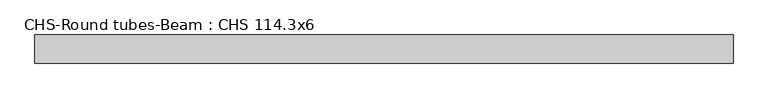
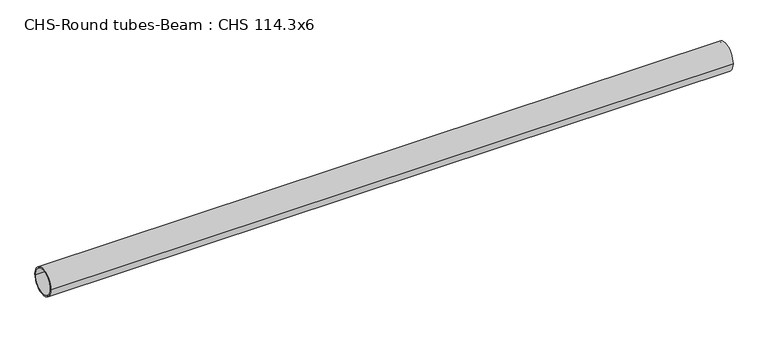
"""IFC4 building model written with IfcOpenShell, lengths in millimetres: beam geometry, CHS-Round tubes-Beam : CHS 114.3x6."""

from ifc_helpers import new_model, si_unit, point, frame, origin, origin_2d, place, context, project, spatial, circle_curve, trimmed, segment, composite_curve, outline, extrude, source, transform, mapped, element, save


def chs_round_tubes_beam_chs_114_3x6_1a060ed7(model_context):
    return source(origin(), model_context, "Body", "SweptSolid", [
        extrude(outline(composite_curve([segment(trimmed(circle_curve(origin_2d(), 57.15), [point((57.15, 0.0))], [point((-57.15, 0.0))], False, "CARTESIAN"), True, "CONTINUOUS"), segment(trimmed(circle_curve(origin_2d(), 57.15), [point((-57.15, 0.0))], [point((57.15, 0.0))], False, "CARTESIAN"), True, "CONTINUOUS")], self_intersect=False), holes=[composite_curve([segment(trimmed(circle_curve(origin_2d(), 51.15), [point((51.15, 0.0))], [point((-51.15, 0.0))], True, "CARTESIAN"), True, "CONTINUOUS"), segment(trimmed(circle_curve(origin_2d(), 51.15), [point((-51.15, 0.0))], [point((51.15, 0.0))], True, "CARTESIAN"), True, "CONTINUOUS")], self_intersect=False)]), frame((-1408.8586955, 0.0, 0.0), z_axis=(1.0, 0.0, 0.0), x_axis=(0.0, 1.0, 0.0)), (0.0, 0.0, 1.0), 2834.5777763),
    ])


if __name__ == "__main__":
    model = new_model("IFC4")
    model_context = context("Model", 3, world=origin())
    ifc_project = project(units=[si_unit("LENGTHUNIT", "METRE", prefix="MILLI")], contexts=[model_context])
    site = spatial("IfcSite", under=ifc_project)
    building = spatial("IfcBuilding", under=site)
    placement = place(None, origin())
    chs_round_tubes_beam_chs_114_3x6_shape = chs_round_tubes_beam_chs_114_3x6_1a060ed7(model_context)
    element("IfcBeam", 1, ObjectType="CHS-Round tubes-Beam : CHS 114.3x6", at=placement, inside=building, context=model_context, shape_type="MappedRepresentation", body=[
        mapped(chs_round_tubes_beam_chs_114_3x6_shape, transform((0.0, 0.0, 0.0), x_axis=(1.0, 0.0, 0.0), y_axis=(0.0, 1.0, 0.0), z_axis=(0.0, 0.0, 1.0))),
    ])
    save(model, "model.ifc")
